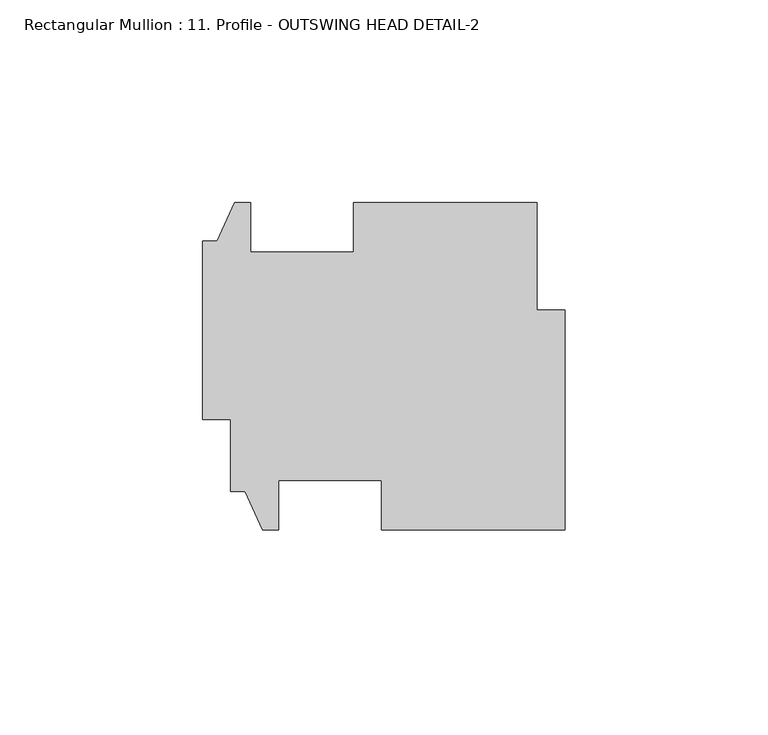
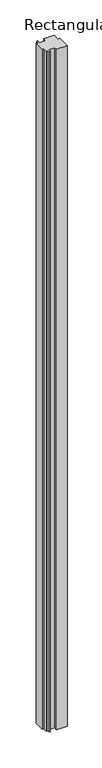
"""IFC4 building model written with IfcOpenShell, lengths in millimetres: member geometry, Rectangular Mullion : 11. Profile - OUTSWING HEAD DETAIL-2."""

from ifc_helpers import new_model, si_unit, frame, origin, place, context, project, spatial, polyline, outline, extrude, source, transform, mapped, element, save


def rectangular_mullion_11_profile_outswing_head_detail_2_ae1c668b(model_context):
    return source(origin(), model_context, "Body", "SweptSolid", [
        extrude(outline(polyline([(-78.9432, -31.6863987), (-82.55, -31.6863987), (-82.55, -13.8530523), (-89.4588, -13.8530523), (-89.4588, 30.1143477), (-85.852, 30.1143477), (-81.534, 39.6393477), (-77.6224, 39.6393477), (-77.6224, 27.4219477), (-52.2224, 27.4219477), (-52.2224, 39.6393477), (-6.9088, 39.6393477), (-6.9088, 13.1446013), (0.0, 13.1446013), (0.0, -41.2113987), (-45.3136, -41.2113987), (-45.3136, -28.9939987), (-70.7136, -28.9939987), (-70.7136, -41.2113987), (-74.6252, -41.2113987), (-78.9432, -31.6863987)])), frame((0.0, 0.0, -3048.0), z_axis=(0.0, 0.0, 1.0), x_axis=(1.0, 0.0, 0.0)), (0.0, 0.0, 1.0), 3048.0),
    ])


if __name__ == "__main__":
    model = new_model("IFC4")
    model_context = context("Model", 3, world=origin())
    ifc_project = project(units=[si_unit("LENGTHUNIT", "METRE", prefix="MILLI")], contexts=[model_context])
    site = spatial("IfcSite", under=ifc_project)
    building = spatial("IfcBuilding", under=site)
    placement = place(None, origin())
    rectangular_mullion_11_profile_outswing_head_detail_2_shape = rectangular_mullion_11_profile_outswing_head_detail_2_ae1c668b(model_context)
    element("IfcMember", 1, ObjectType="Rectangular Mullion : 11. Profile - OUTSWING HEAD DETAIL-2", at=placement, inside=building, context=model_context, shape_type="MappedRepresentation", body=[
        mapped(rectangular_mullion_11_profile_outswing_head_detail_2_shape, transform((0.0, 0.0, 0.0), x_axis=(1.0, 0.0, 0.0), y_axis=(0.0, 1.0, 0.0), z_axis=(0.0, 0.0, 1.0))),
    ])
    save(model, "model.ifc")
